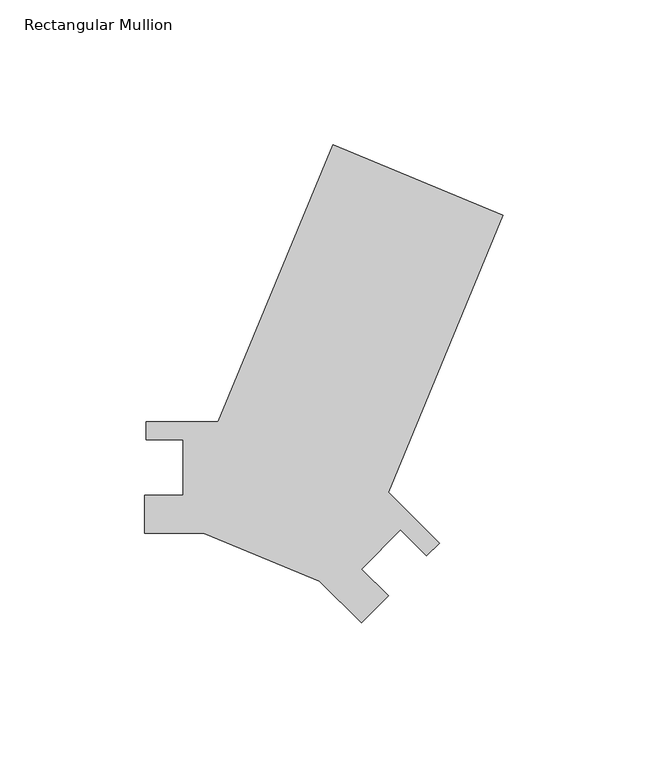
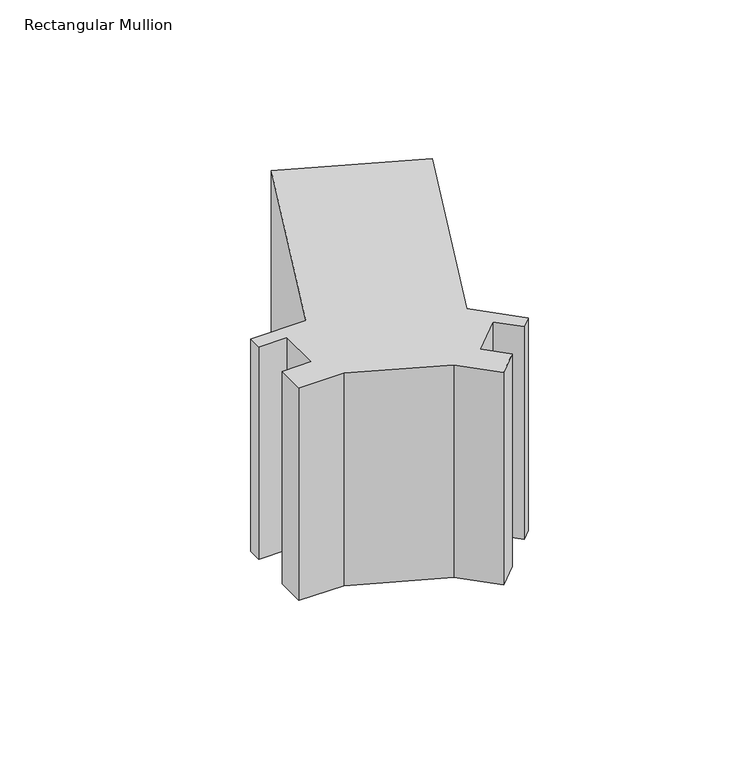
"""IFC4 building model written with IfcOpenShell, lengths in millimetres: member geometry, Rectangular Mullion."""

import ifcopenshell
import ifcopenshell.guid

model = None  # the IFC model being written
_history = None  # IfcOwnerHistory: only IFC2X3 demands one
_inside = {}  # id of a spatial element -> (the spatial element, [elements in it])
_under = {}  # id of a project, library or spatial element -> (it, [spatial elements below it])
_declared = {}  # id of a project -> (the project, [libraries it declares])
_typed = {}  # id of a type object -> (the type object, [elements of that type])
_made_of = {}  # id of a material, layer set ... -> (it, [elements and type objects made of it])


def new_model(schema):
    """Start an empty IFC model of exactly this schema.

    Asked for "IFC4X3", IfcOpenShell would pick the latest addendum, in which some entities
    have other attributes; the version numbers below select the first issue.
    IFC2X3 requires an IfcOwnerHistory on every rooted entity: one is made here for all.
    """
    global model, _history
    if schema == "IFC4X3":
        model = ifcopenshell.file(schema_version=(4, 3, 0, 0))
    else:
        model = ifcopenshell.file(schema=schema)
    _inside.clear()
    _under.clear()
    _declared.clear()
    _typed.clear()
    _made_of.clear()
    _history = None
    if model.schema == "IFC2X3":
        org = make("IfcOrganization", Name="unknown")
        user = make(
            "IfcPersonAndOrganization",
            ThePerson=make("IfcPerson", FamilyName="unknown"),
            TheOrganization=org,
        )
        app = make(
            "IfcApplication",
            ApplicationDeveloper=org,
            Version="unknown",
            ApplicationFullName="unknown",
            ApplicationIdentifier="unknown",
        )
        _history = make(
            "IfcOwnerHistory",
            OwningUser=user,
            OwningApplication=app,
            ChangeAction="ADDED",
            CreationDate=0,
        )
    return model


def make(cls, **values):
    """One entity of the class cls with the attributes given. An attribute that is None is left unset."""
    return model.create_entity(
        cls, **{name: value for name, value in values.items() if value is not None}
    )


def rooted(cls, **values):
    """An entity with a GlobalId (a new one), such as an element, a storey or a relation."""
    return make(cls, GlobalId=ifcopenshell.guid.new(), OwnerHistory=_history, **values)


def si_unit(unit_type, name, prefix=None):
    """IfcSIUnit, for example si_unit("LENGTHUNIT", "METRE", prefix="MILLI")."""
    return make("IfcSIUnit", UnitType=unit_type, Prefix=prefix, Name=name)


def assignment(units):
    """IfcUnitAssignment: the units of a project."""
    return None if units is None else make("IfcUnitAssignment", Units=units)


def point(xyz):
    """IfcCartesianPoint."""
    return None if xyz is None else make("IfcCartesianPoint", Coordinates=xyz)


def direction(xyz):
    """IfcDirection."""
    return None if xyz is None else make("IfcDirection", DirectionRatios=xyz)


def frame(location, z_axis=None, x_axis=None):
    """IfcAxis2Placement3D, a coordinate frame: its origin and axes. An axis left out is left unset."""
    return make(
        "IfcAxis2Placement3D",
        Location=point(location),
        Axis=direction(z_axis),
        RefDirection=direction(x_axis),
    )


def origin():
    """The frame at (0, 0, 0) with its axes left unset."""
    return frame((0.0, 0.0, 0.0))


def place(relative_to, where):
    """IfcLocalPlacement: puts the frame where relative to a parent placement (None: the world)."""
    return make(
        "IfcLocalPlacement", PlacementRelTo=relative_to, RelativePlacement=where
    )


def context(
    kind, dimensions, precision=None, world=None, true_north=None, identifier=None
):
    """IfcGeometricRepresentationContext, for example the 3D "Model" context."""
    return make(
        "IfcGeometricRepresentationContext",
        ContextIdentifier=identifier,
        ContextType=kind,
        CoordinateSpaceDimension=dimensions,
        Precision=precision,
        WorldCoordinateSystem=world,
        TrueNorth=true_north,
    )


def project(units=None, contexts=None):
    """IfcProject with its units and contexts."""
    return rooted(
        "IfcProject",
        Name="project",
        RepresentationContexts=contexts,
        UnitsInContext=assignment(units),
    )


def spatial(cls, under=None, at=None, **own):
    """A site, building, storey or space (cls), placed at a placement, below another one or the project."""
    s = rooted(cls, ObjectPlacement=at, **own)
    if under is not None:
        _under.setdefault(under.id(), (under, []))[1].append(s)
    return s


def polyline(points):
    """IfcPolyline through the points."""
    return make("IfcPolyline", Points=[point(p) for p in points])


def outline(outer, holes=None, kind="AREA"):
    """IfcArbitraryClosedProfileDef: a profile drawn as a closed curve; with holes, ...WithVoids."""
    if holes is None:
        return make("IfcArbitraryClosedProfileDef", ProfileType=kind, OuterCurve=outer)
    return make(
        "IfcArbitraryProfileDefWithVoids",
        ProfileType=kind,
        OuterCurve=outer,
        InnerCurves=holes,
    )


def extrude(swept, where, along, depth):
    """IfcExtrudedAreaSolid: the profile swept, set in the frame where, extruded along a direction by depth."""
    return make(
        "IfcExtrudedAreaSolid",
        SweptArea=swept,
        Position=where,
        ExtrudedDirection=direction(along),
        Depth=depth,
    )


def shape(context_of_items, identifier, shape_type, items):
    """IfcShapeRepresentation: the items that make up one representation, for example the "Body"."""
    return make(
        "IfcShapeRepresentation",
        ContextOfItems=context_of_items,
        RepresentationIdentifier=identifier,
        RepresentationType=shape_type,
        Items=items,
    )


def source(mapping_origin, context_of_items, identifier, shape_type, items):
    """IfcRepresentationMap: a shape defined once, which mapped items show again and again."""
    return make(
        "IfcRepresentationMap",
        MappingOrigin=mapping_origin,
        MappedRepresentation=shape(context_of_items, identifier, shape_type, items),
    )


def transform(
    local_origin,
    x_axis=None,
    y_axis=None,
    z_axis=None,
    scale=None,
    scale2=None,
    scale3=None,
    uniform=True,
):
    """IfcCartesianTransformationOperator3D, or its non-uniform kind. x_axis, y_axis, z_axis: its Axis1, 2, 3."""
    if uniform:
        return make(
            "IfcCartesianTransformationOperator3D",
            Axis1=direction(x_axis),
            Axis2=direction(y_axis),
            LocalOrigin=point(local_origin),
            Scale=scale,
            Axis3=direction(z_axis),
        )
    return make(
        "IfcCartesianTransformationOperator3DnonUniform",
        Axis1=direction(x_axis),
        Axis2=direction(y_axis),
        LocalOrigin=point(local_origin),
        Scale=scale,
        Axis3=direction(z_axis),
        Scale2=scale2,
        Scale3=scale3,
    )


def mapped(mapping_source, mapping_target):
    """IfcMappedItem: shows the shape of a source again, moved by a transform."""
    return make(
        "IfcMappedItem", MappingSource=mapping_source, MappingTarget=mapping_target
    )


def made_of(thing, what):
    """Note that an element or type object is made of a material, layer set ...; save() writes the relation."""
    if what is not None:
        _made_of.setdefault(what.id(), (what, []))[1].append(thing)
    return thing


def element(
    cls,
    number,
    at=None,
    inside=None,
    cuts=None,
    type_object=None,
    material=None,
    context=None,
    identifier="Body",
    shape_type=None,
    held_by="IfcProductDefinitionShape",
    body=None,
    shapes=None,
    **own,
):
    """One element of the class cls, such as IfcWall. Its Tag is "e" and its number.

    at: its placement. inside: the storey or other place that contains it. cuts: it is an
    opening in that element (IfcRelVoidsElement). A single representation is given by context,
    identifier, shape_type and body (its items); several are given by shapes. held_by: the class
    of the entity that holds the representations. save() writes the other relations.
    """
    e = rooted(cls, Tag="e%d" % number, ObjectPlacement=at, **own)
    if body is not None:
        shapes = [shape(context, identifier, shape_type, body)]
    if shapes is not None:
        e.Representation = make(held_by, Representations=shapes)
    if inside is not None:
        _inside.setdefault(inside.id(), (inside, []))[1].append(e)
    if cuts is not None:
        rooted(
            "IfcRelVoidsElement", RelatingBuildingElement=cuts, RelatedOpeningElement=e
        )
    if type_object is not None:
        _typed.setdefault(type_object.id(), (type_object, []))[1].append(e)
    return made_of(e, material)


def aggregate(whole, parts):
    """IfcRelAggregates: a whole, such as a stair, and the parts it consists of."""
    return rooted("IfcRelAggregates", RelatingObject=whole, RelatedObjects=parts)


def save(model, path):
    """Write the relations noted so far, then the file.

    IfcRelAggregates (storeys below a building ...), IfcRelContainedInSpatialStructure (elements
    in a storey), IfcRelDefinesByType, IfcRelAssociatesMaterial and IfcRelDeclares: one each for
    every whole, place, type object, material and project.
    """
    for whole, parts in _under.values():
        aggregate(whole, parts)
    for where, things in _inside.values():
        rooted(
            "IfcRelContainedInSpatialStructure",
            RelatedElements=things,
            RelatingStructure=where,
        )
    for kind, things in _typed.values():
        rooted("IfcRelDefinesByType", RelatedObjects=things, RelatingType=kind)
    for what, things in _made_of.values():
        rooted("IfcRelAssociatesMaterial", RelatedObjects=things, RelatingMaterial=what)
    for by, libraries in _declared.values():
        rooted("IfcRelDeclares", RelatingContext=by, RelatedDefinitions=libraries)
    model.write(path)


def rectangular_mullion_e7727b15(model_context):
    return source(origin(), model_context, "Body", "SweptSolid", [
        extrude(outline(polyline([(-39.5406215, 14.1432958), (-21.9274755, -3.4698502), (-26.3098405, -7.8522152), (-35.2900966, 1.1280409), (-48.7867833, -12.3686458), (-39.5018583, -21.6535709), (-48.8165711, -30.9682837), (-63.1849808, -16.5998739), (-103.2265888, -0.0140969), (-123.5465888, -0.0140969), (-123.5465888, 13.1588963), (-110.4157218, 13.1588963), (-110.4157218, 32.2460937), (-123.1157218, 32.2460937), (-123.1157218, 38.4436937), (-98.2069718, 38.4436937), (-58.6663503, 133.9031985), (0.0, 109.6028005), (-39.5406215, 14.1432958)])), frame((0.0, 0.0, -101.6), z_axis=(0.0, 0.0, 1.0), x_axis=(1.0, 0.0, 0.0)), (0.0, 0.0, 1.0), 101.6),
    ])


if __name__ == "__main__":
    model = new_model("IFC4")
    model_context = context("Model", 3, world=origin())
    ifc_project = project(units=[si_unit("LENGTHUNIT", "METRE", prefix="MILLI")], contexts=[model_context])
    site = spatial("IfcSite", under=ifc_project)
    building = spatial("IfcBuilding", under=site)
    placement = place(None, origin())
    rectangular_mullion_shape = rectangular_mullion_e7727b15(model_context)
    element("IfcMember", 1, ObjectType="Rectangular Mullion", at=placement, inside=building, context=model_context, shape_type="MappedRepresentation", body=[
        mapped(rectangular_mullion_shape, transform((0.0, 0.0, 0.0), x_axis=(1.0, 0.0, 0.0), y_axis=(0.0, 1.0, 0.0), z_axis=(0.0, 0.0, 1.0))),
    ])
    save(model, "model.ifc")
